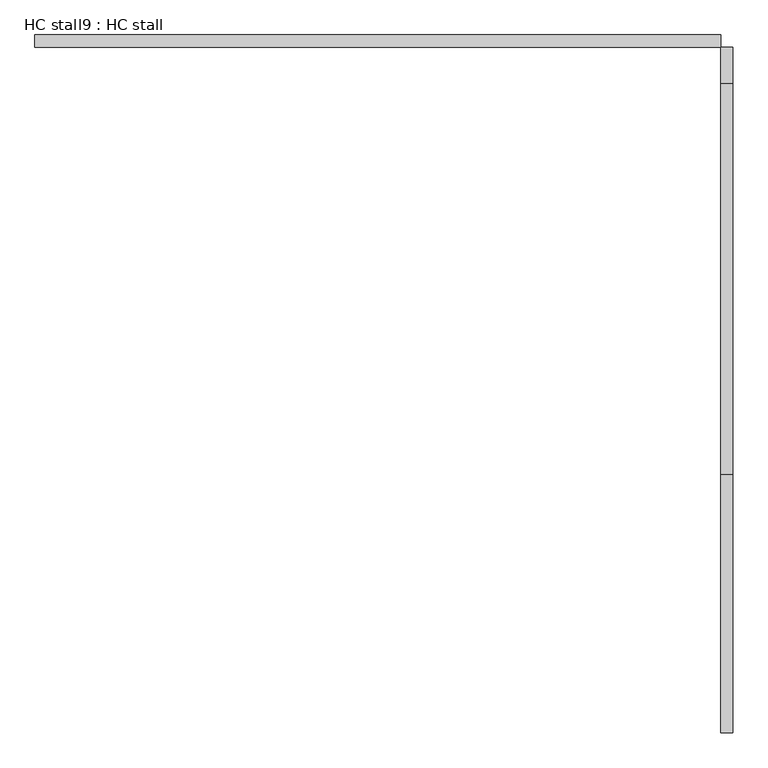
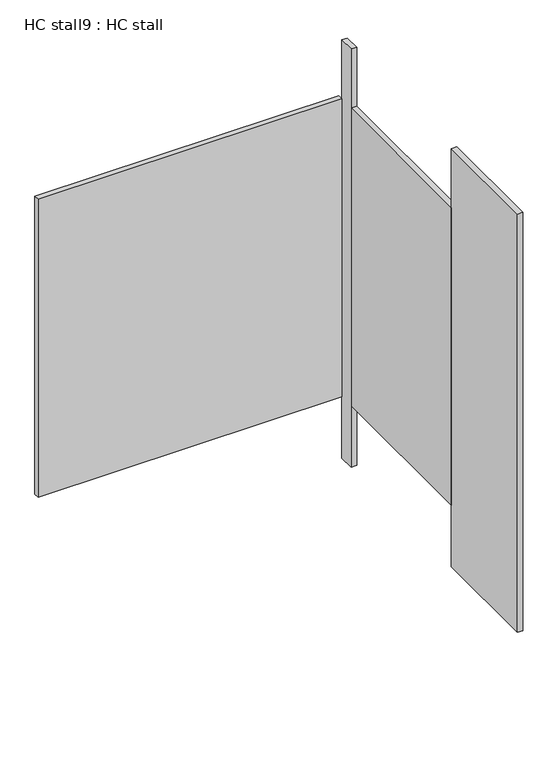
"""IFC4 building model written with IfcOpenShell, lengths in millimetres: proxy geometry, HC stall9 : HC stall."""

from ifc_helpers import new_model, si_unit, frame, origin, origin_with_axes, place, context, project, spatial, polyline, outline, extrude, source, transform, mapped, element, save


def hc_stall9_hc_stall_9574b7aa(model_context):
    return source(origin(), model_context, "Body", "SweptSolid", [
        extrude(outline(polyline([(456785.4504676, -273528.6113632), (458207.8504676, -273528.6113632), (458207.8504676, -273554.0113632), (456785.4504676, -273554.0113632), (456785.4504676, -273528.6113632)])), frame((0.0, 0.0, 304.8), z_axis=(0.0, 0.0, 1.0), x_axis=(1.0, 0.0, 0.0)), (0.0, 0.0, 1.0), 1473.2),
        extrude(outline(polyline([(458207.8504676, -274441.4238632), (458233.2504676, -274441.4238632), (458233.2504676, -274976.4113632), (458207.8504676, -274976.4113632), (458207.8504676, -274441.4238632)])), origin_with_axes(), (0.0, 0.0, 1.0), 2070.1),
        extrude(outline(polyline([(458207.8504676, -273554.0113632), (458233.2504676, -273554.0113632), (458233.2504676, -273628.6238632), (458207.8504676, -273628.6238632), (458207.8504676, -273554.0113632)])), origin_with_axes(), (0.0, 0.0, 1.0), 2070.1),
        extrude(outline(polyline([(458207.8504676, -273628.6238632), (458233.2504676, -273628.6238632), (458233.2504676, -274441.4238632), (458207.8504676, -274441.4238632), (458207.8504676, -273628.6238632)])), frame((0.0, 0.0, 304.8), z_axis=(0.0, 0.0, 1.0), x_axis=(1.0, 0.0, 0.0)), (0.0, 0.0, 1.0), 1473.2),
    ])


if __name__ == "__main__":
    model = new_model("IFC4")
    model_context = context("Model", 3, world=origin())
    ifc_project = project(units=[si_unit("LENGTHUNIT", "METRE", prefix="MILLI")], contexts=[model_context])
    site = spatial("IfcSite", under=ifc_project)
    building = spatial("IfcBuilding", under=site)
    placement = place(None, origin())
    hc_stall9_hc_stall_shape = hc_stall9_hc_stall_9574b7aa(model_context)
    element("IfcBuildingElementProxy", 1, Name="HC stall9 : HC stall", ObjectType="HC stall9 : HC stall", at=placement, inside=building, context=model_context, shape_type="MappedRepresentation", body=[
        mapped(hc_stall9_hc_stall_shape, transform((0.0, 0.0, 0.0), x_axis=(1.0, 0.0, 0.0), y_axis=(0.0, 1.0, 0.0), z_axis=(0.0, 0.0, 1.0))),
    ])
    save(model, "model.ifc")
